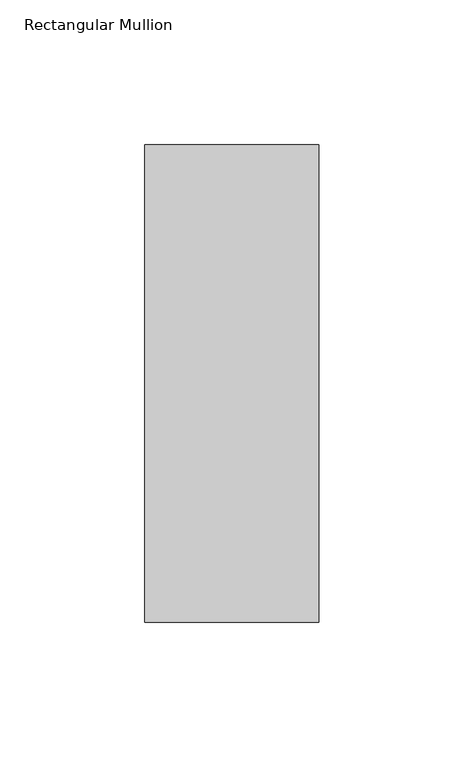
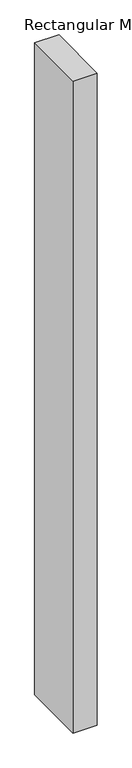
"""IFC4 building model written with IfcOpenShell, lengths in millimetres: member geometry, Rectangular Mullion."""

from ifc_helpers import new_model, si_unit, frame, origin, place, context, project, spatial, polyline, outline, extrude, source, transform, mapped, element, save


def rectangular_mullion_00e20b38(model_context):
    return source(origin(), model_context, "Body", "SweptSolid", [
        extrude(outline(polyline([(30.0, 117.84375), (30.0, -46.84375), (-30.0, -46.84375), (-30.0, 117.84375), (30.0, 117.84375)])), frame((0.0, 0.0, -1708.8912252), z_axis=(0.0, 0.0, 1.0), x_axis=(1.0, 0.0, 0.0)), (0.0, 0.0, 1.0), 1708.8912252),
    ])


if __name__ == "__main__":
    model = new_model("IFC4")
    model_context = context("Model", 3, world=origin())
    ifc_project = project(units=[si_unit("LENGTHUNIT", "METRE", prefix="MILLI")], contexts=[model_context])
    site = spatial("IfcSite", under=ifc_project)
    building = spatial("IfcBuilding", under=site)
    placement = place(None, origin())
    rectangular_mullion_shape = rectangular_mullion_00e20b38(model_context)
    element("IfcMember", 1, ObjectType="Rectangular Mullion", at=placement, inside=building, context=model_context, shape_type="MappedRepresentation", body=[
        mapped(rectangular_mullion_shape, transform((0.0, 0.0, 0.0), x_axis=(1.0, 0.0, 0.0), y_axis=(0.0, 1.0, 0.0), z_axis=(0.0, 0.0, 1.0))),
    ])
    save(model, "model.ifc")
